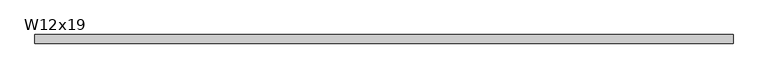
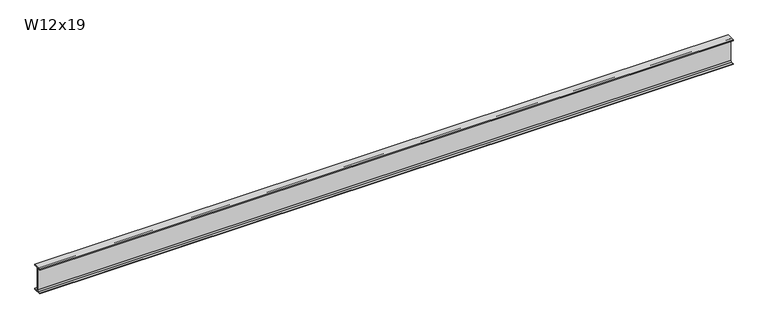
"""IFC4 building model written with IfcOpenShell, lengths in millimetres: beam geometry, W12x19."""

from ifc_helpers import new_model, si_unit, point, frame, frame_2d, origin, place, context, project, spatial, polyline, circle_curve, trimmed, segment, composite_curve, outline, extrude, source, transform, mapped, element, save


def w12x19_23944cde(model_context):
    return source(origin(), model_context, "Body", "SweptSolid", [
        extrude(outline(composite_curve([segment(polyline([(50.927, -146.05), (50.927, -154.94), (-50.927, -154.94), (-50.927, -146.05), (-16.3195, -146.05)]), True, "CONTINUOUS"), segment(trimmed(circle_curve(frame_2d((-16.3195, -132.715)), 13.335), [point((-16.3195, -146.05))], [point((-2.9845, -132.715))], True, "CARTESIAN"), True, "CONTINUOUS"), segment(polyline([(-2.9845, -132.715), (-2.9845, 132.715)]), True, "CONTINUOUS"), segment(trimmed(circle_curve(frame_2d((-16.3195, 132.715)), 13.335), [point((-2.9845, 132.715))], [point((-16.3195, 146.05))], True, "CARTESIAN"), True, "CONTINUOUS"), segment(polyline([(-16.3195, 146.05), (-50.927, 146.05), (-50.927, 154.94), (50.927, 154.94), (50.927, 146.05), (16.3195, 146.05)]), True, "CONTINUOUS"), segment(trimmed(circle_curve(frame_2d((16.3195, 132.715)), 13.335), [point((16.3195, 146.05))], [point((2.9845, 132.715))], True, "CARTESIAN"), True, "CONTINUOUS"), segment(polyline([(2.9845, 132.715), (2.9845, -132.715)]), True, "CONTINUOUS"), segment(trimmed(circle_curve(frame_2d((16.3195, -132.715)), 13.335), [point((2.9845, -132.715))], [point((16.3195, -146.05))], True, "CARTESIAN"), True, "CONTINUOUS"), segment(polyline([(16.3195, -146.05), (50.927, -146.05)]), True, "CONTINUOUS")], self_intersect=False)), frame((-4065.258341, 0.0, 0.0), z_axis=(1.0, 0.0, 0.0), x_axis=(0.0, 1.0, 0.0)), (0.0, 0.0, 1.0), 8263.0261949),
    ])


if __name__ == "__main__":
    model = new_model("IFC4")
    model_context = context("Model", 3, world=origin())
    ifc_project = project(units=[si_unit("LENGTHUNIT", "METRE", prefix="MILLI")], contexts=[model_context])
    site = spatial("IfcSite", under=ifc_project)
    building = spatial("IfcBuilding", under=site)
    placement = place(None, origin())
    w12x19_shape = w12x19_23944cde(model_context)
    element("IfcBeam", 1, ObjectType="W12x19", at=placement, inside=building, context=model_context, shape_type="MappedRepresentation", body=[
        mapped(w12x19_shape, transform((0.0, 0.0, 0.0), x_axis=(1.0, 0.0, 0.0), y_axis=(0.0, 1.0, 0.0), z_axis=(0.0, 0.0, 1.0))),
    ])
    save(model, "model.ifc")
